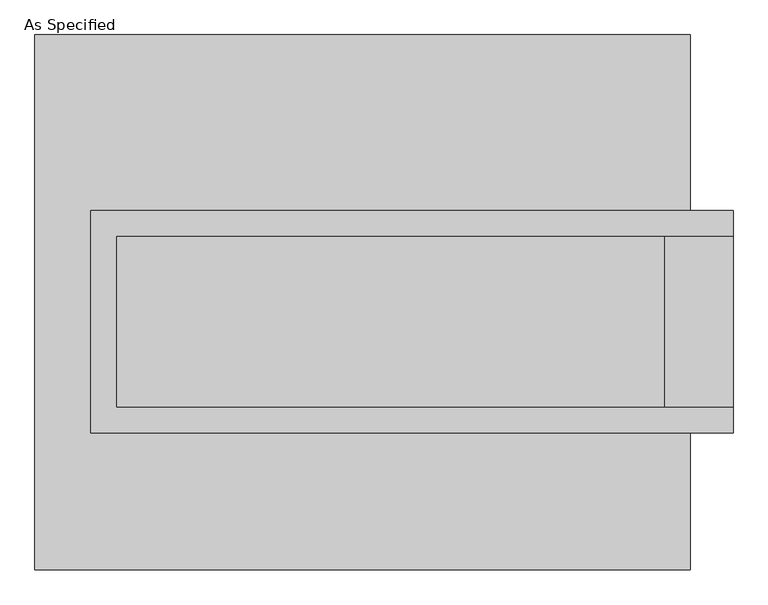
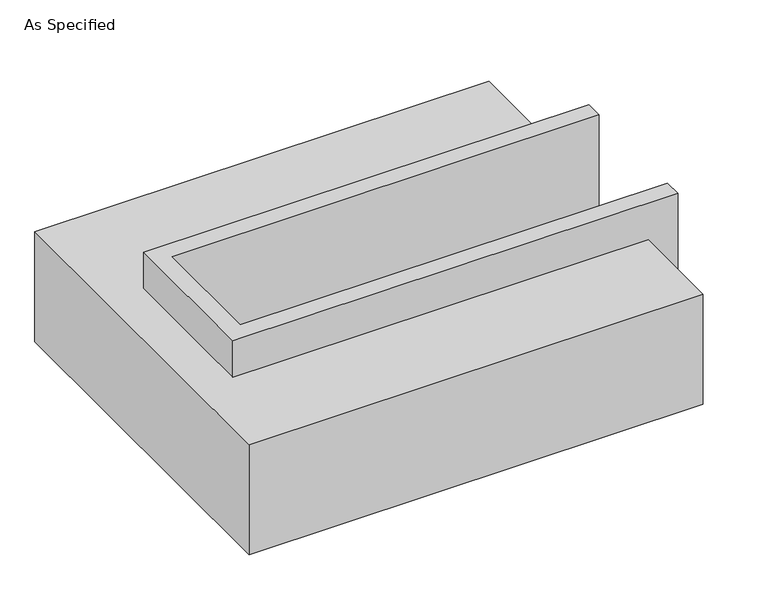
"""IFC4 building model written with IfcOpenShell, lengths in millimetres: proxy geometry, As Specified."""

from ifc_helpers import new_model, si_unit, origin, place, context, project, spatial, faceted_brep, source, transform, mapped, element, save


def as_specified_b05859c1(model_context):
    return source(origin(), model_context, "Body", "Brep", [
        faceted_brep([(-806.45, 273.05, 139.7), (-806.45, 273.05, -393.7), (-806.45, 196.85, -393.7), (-806.45, 196.85, -25.4), (-806.45, -311.15, -25.4), (-806.45, -311.15, -393.7), (-806.45, -387.35, -393.7), (-806.45, -387.35, 139.7), (1098.55, 196.85, 139.7), (1098.55, 196.85, -317.5), (1098.55, -311.15, -317.5), (1098.55, -311.15, 139.7), (1098.55, -387.35, 139.7), (1098.55, -387.35, -393.7), (1098.55, 273.05, -393.7), (1098.55, 273.05, 139.7), (-730.25, -311.15, 139.7), (-730.25, 196.85, 139.7), (895.35, -311.15, -393.7), (895.35, 196.85, -393.7), (895.35, -311.15, -317.5), (-730.25, -311.15, -25.4), (895.35, 196.85, -317.5), (-730.25, 196.85, -25.4)], [[[0, 1, 2, 3, 4, 5, 6, 7]], [[8, 9, 10, 11, 12, 13, 14, 15]], [[0, 7, 12, 11, 16, 17, 8, 15]], [[1, 0, 15, 14]], [[14, 13, 6, 5, 18, 19, 2, 1]], [[7, 6, 13, 12]], [[11, 10, 20, 18, 5, 4, 21, 16]], [[10, 9, 22, 20]], [[9, 8, 17, 23, 3, 2, 19, 22]], [[18, 20, 22, 19]], [[23, 21, 4, 3]], [[17, 16, 21, 23]]]),
        faceted_brep([(-971.55, 793.75, -523.9742188), (971.55, 793.75, -523.9742188), (971.55, -793.75, -523.9742188), (-971.55, -793.75, -523.9742188), (971.55, 793.75, -25.4), (-971.55, 793.75, -25.4), (-971.55, -793.75, -25.4), (971.55, -793.75, -25.4), (971.55, -387.35, -25.4), (-806.45, -387.35, -25.4), (-806.45, 273.05, -25.4), (971.55, 273.05, -25.4), (971.55, 273.05, -393.7), (971.55, -387.35, -393.7), (-806.45, -387.35, -393.7), (-806.45, 273.05, -393.7)], [[[0, 1, 2, 3]], [[4, 5, 6, 7, 8, 9, 10, 11]], [[1, 0, 5, 4]], [[5, 0, 3, 6]], [[1, 4, 11, 12, 13, 8, 7, 2]], [[3, 2, 7, 6]], [[14, 15, 10, 9]], [[10, 15, 12, 11]], [[15, 14, 13, 12]], [[14, 9, 8, 13]]]),
    ])


if __name__ == "__main__":
    model = new_model("IFC4")
    model_context = context("Model", 3, world=origin())
    ifc_project = project(units=[si_unit("LENGTHUNIT", "METRE", prefix="MILLI")], contexts=[model_context])
    site = spatial("IfcSite", under=ifc_project)
    building = spatial("IfcBuilding", under=site)
    placement = place(None, origin())
    as_specified_shape = as_specified_b05859c1(model_context)
    element("IfcBuildingElementProxy", 1, Name="As Specified", ObjectType="As Specified", at=placement, inside=building, context=model_context, shape_type="MappedRepresentation", body=[
        mapped(as_specified_shape, transform((0.0, 0.0, 0.0), x_axis=(1.0, 0.0, 0.0), y_axis=(0.0, 1.0, 0.0), z_axis=(0.0, 0.0, 1.0))),
    ])
    save(model, "model.ifc")
